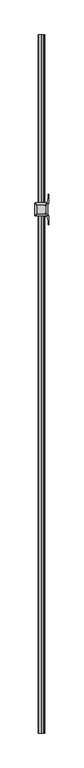
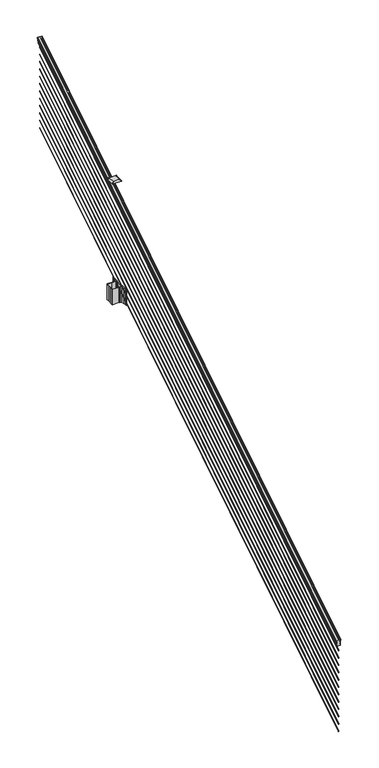
"""IFC4 building model written with IfcOpenShell, lengths in millimetres: railing geometry."""

from ifc_helpers import new_model, si_unit, point, frame, frame_2d, origin, place, context, project, spatial, polyline, circle_curve, ellipse_curve, trimmed, segment, composite_curve, outline, extrude, source, transform, mapped, element, save
from ifc_brep_helpers import plane_surface, cylinder_surface, revolved_surface, extruded_surface, advanced_brep


def railing_f0b1b2a2(model_context):
    return source(origin(), model_context, "Body", "SolidModel", [
        advanced_brep(
        [(5923.032944, -103155.6628453, 1133.2070492), (5925.6067728, -103155.6628453, 1133.2070492), (5925.6067728, -103155.6628453, 1120.6394336), (5924.5907728, -103155.6628453, 1119.441318), (5924.5907728, -103155.6628453, 1104.9), (5956.3407728, -103155.6628453, 1104.9), (5956.3407728, -103155.6628453, 1119.6274214), (5955.3247728, -103155.6628453, 1120.825537), (5955.3247728, -103155.6628453, 1133.2070492), (5957.8986015, -103155.6628453, 1133.2070492), (5957.8986015, -103155.6628453, 1135.4335658), (5959.0287878, -103155.6628453, 1137.2758543), (5959.0287878, -103155.6628453, 1145.7876358), (5958.3795314, -103155.6628453, 1148.6572588), (5960.8795314, -103155.6628453, 1153.7635509), (5962.2888739, -103155.6628453, 1155.7442021), (5962.6907729, -103155.6628453, 1157.0469579), (5962.6907728, -103155.6628453, 1158.6274846), (5961.1373255, -103155.6628453, 1160.4593836), (5940.4657728, -103155.6628453, 1160.4593836), (5919.79422, -103155.6628453, 1160.4593836), (5918.2407728, -103155.6628453, 1158.6274846), (5918.2407728, -103155.6628453, 1157.0469579), (5918.6426717, -103155.6628453, 1155.7442021), (5920.0520141, -103155.6628453, 1153.7635509), (5922.5520141, -103155.6628453, 1148.6572588), (5921.9027577, -103155.6628453, 1145.7876358), (5921.9027577, -103155.6628453, 1137.2758543), (5923.032944, -103155.6628453, 1135.4335658), (5923.032944, -98278.8628453, 4181.2070492), (5923.032944, -98278.8628453, 4183.4335658), (5921.9027577, -98278.8628453, 4185.2758543), (5921.9027577, -98278.8628453, 4193.7876358), (5922.5520141, -98278.8628453, 4196.6572588), (5920.0520141, -98278.8628453, 4201.7635509), (5918.6426717, -98278.8628453, 4203.7442021), (5918.2407727, -98278.8628453, 4205.0469579), (5918.2407728, -98278.8628453, 4206.6274846), (5919.79422, -98278.8628453, 4208.4593836), (5940.4657728, -98278.8628453, 4208.4593836), (5961.1373255, -98278.8628453, 4208.4593836), (5962.6907728, -98278.8628453, 4206.6274846), (5962.6907728, -98278.8628453, 4205.0469579), (5962.2888739, -98278.8628453, 4203.7442021), (5960.8795314, -98278.8628453, 4201.7635509), (5958.3795314, -98278.8628453, 4196.6572588), (5959.0287878, -98278.8628453, 4193.7876358), (5959.0287878, -98278.8628453, 4185.2758543), (5957.8986015, -98278.8628453, 4183.4335658), (5957.8986015, -98278.8628453, 4181.2070492), (5955.3247728, -98278.8628453, 4181.2070492), (5955.3247728, -98278.8628453, 4168.825537), (5956.3407728, -98278.8628453, 4167.6274214), (5956.3407728, -98278.8628453, 4152.9), (5924.5907728, -98278.8628453, 4152.9), (5924.5907728, -98278.8628453, 4167.441318), (5925.6067728, -98278.8628453, 4168.6394336), (5925.6067728, -98278.8628453, 4181.2070492)],
        [
            (0, 1, ellipse_curve(frame((5924.3198584, -103155.6628453, 1133.2070492), z_axis=(0.0, -1.0, 0.0), x_axis=(0.0, 0.0, -1.0)), 1.5175907, 1.2869144)),
            (1, 2),
            (2, 3),
            (3, 4),
            (4, 5),
            (5, 6),
            (6, 7),
            (7, 8),
            (8, 9, ellipse_curve(frame((5956.6116871, -103155.6628453, 1133.2070492), z_axis=(0.0, -1.0, 0.0), x_axis=(0.0, 0.0, -1.0)), 1.5175907, 1.2869144)),
            (9, 10),
            (10, 11, ellipse_curve(frame((5951.5838482, -103155.6628453, 1142.2239405), z_axis=(0.0, -1.0, 0.0), x_axis=(0.0, 0.0, -1.0)), 10.0777926, 8.545951)),
            (11, 12, ellipse_curve(frame((5952.0209112, -103155.6628453, 1141.5317451), z_axis=(0.0, -1.0, 0.0), x_axis=(0.0, 0.0, -1.0)), 9.2955186, 7.882584)),
            (12, 13, ellipse_curve(frame((5962.5342353, -103155.6628453, 1148.4275077), z_axis=(0.0, 1.0, 0.0), x_axis=(0.0, 0.0, 1.0)), 4.9048088, 4.1592695)),
            (13, 14, ellipse_curve(frame((5963.8215419, -103155.6628453, 1148.3563208), z_axis=(0.0, 1.0, 0.0), x_axis=(0.0, 0.0, 1.0)), 6.4245301, 5.4479907)),
            (14, 15, ellipse_curve(frame((5962.5883834, -103155.6628453, 1153.7602333), z_axis=(0.0, 1.0, 0.0), x_axis=(0.0, 0.0, 1.0)), 2.0151625, 1.7088543)),
            (15, 16, ellipse_curve(frame((5960.9714833, -103155.6628453, 1157.0469579), z_axis=(0.0, -1.0, 0.0), x_axis=(0.0, 0.0, -1.0)), 2.0274681, 1.7192895)),
            (16, 17),
            (17, 18, ellipse_curve(frame((5961.1373255, -103155.6628453, 1158.6274846), z_axis=(0.0, -1.0, 0.0), x_axis=(0.0, 0.0, -1.0)), 1.831899, 1.5534472)),
            (18, 19),
            (19, 20),
            (20, 21, ellipse_curve(frame((5919.79422, -103155.6628453, 1158.6274846), z_axis=(0.0, -1.0, 0.0), x_axis=(0.0, 0.0, -1.0)), 1.831899, 1.5534472)),
            (21, 22),
            (22, 23, ellipse_curve(frame((5919.9600622, -103155.6628453, 1157.0469579), z_axis=(0.0, -1.0, 0.0), x_axis=(0.0, 0.0, -1.0)), 2.0274681, 1.7192895)),
            (23, 24, ellipse_curve(frame((5918.3431621, -103155.6628453, 1153.7602333), z_axis=(0.0, 1.0, 0.0), x_axis=(0.0, 0.0, 1.0)), 2.0151625, 1.7088543)),
            (24, 25, ellipse_curve(frame((5917.1100037, -103155.6628453, 1148.3563208), z_axis=(0.0, 1.0, 0.0), x_axis=(0.0, 0.0, 1.0)), 6.4245301, 5.4479907)),
            (25, 26, ellipse_curve(frame((5918.3973102, -103155.6628453, 1148.4275077), z_axis=(0.0, 1.0, 0.0), x_axis=(0.0, 0.0, 1.0)), 4.9048088, 4.1592695)),
            (26, 27, ellipse_curve(frame((5928.9106343, -103155.6628453, 1141.5317451), z_axis=(0.0, -1.0, 0.0), x_axis=(0.0, 0.0, -1.0)), 9.2955186, 7.882584)),
            (27, 28, ellipse_curve(frame((5929.3476973, -103155.6628453, 1142.2239405), z_axis=(0.0, -1.0, 0.0), x_axis=(0.0, 0.0, -1.0)), 10.0777926, 8.545951)),
            (28, 0),
            (29, 30),
            (30, 31, ellipse_curve(frame((5929.3476973, -98278.8628453, 4190.2239405), z_axis=(0.0, 1.0, 0.0), x_axis=(0.0, 0.0, -1.0)), 10.0777926, 8.545951)),
            (31, 32, ellipse_curve(frame((5928.9106343, -98278.8628453, 4189.5317451), z_axis=(0.0, 1.0, 0.0), x_axis=(0.0, 0.0, -1.0)), 9.2955186, 7.882584)),
            (32, 33, ellipse_curve(frame((5918.3973102, -98278.8628453, 4196.4275077), z_axis=(0.0, -1.0, 0.0), x_axis=(0.0, 0.0, 1.0)), 4.9048088, 4.1592695)),
            (33, 34, ellipse_curve(frame((5917.1100037, -98278.8628453, 4196.3563208), z_axis=(0.0, -1.0, 0.0), x_axis=(0.0, 0.0, 1.0)), 6.4245301, 5.4479907)),
            (34, 35, ellipse_curve(frame((5918.3431621, -98278.8628453, 4201.7602333), z_axis=(0.0, -1.0, 0.0), x_axis=(0.0, 0.0, 1.0)), 2.0151625, 1.7088543)),
            (35, 36, ellipse_curve(frame((5919.9600622, -98278.8628453, 4205.0469579), z_axis=(0.0, 1.0, 0.0), x_axis=(0.0, 0.0, -1.0)), 2.0274681, 1.7192895)),
            (36, 37),
            (37, 38, ellipse_curve(frame((5919.79422, -98278.8628453, 4206.6274846), z_axis=(0.0, 1.0, 0.0), x_axis=(0.0, 0.0, -1.0)), 1.831899, 1.5534472)),
            (38, 39),
            (39, 40),
            (40, 41, ellipse_curve(frame((5961.1373255, -98278.8628453, 4206.6274846), z_axis=(0.0, 1.0, 0.0), x_axis=(0.0, 0.0, -1.0)), 1.831899, 1.5534472)),
            (41, 42),
            (42, 43, ellipse_curve(frame((5960.9714833, -98278.8628453, 4205.0469579), z_axis=(0.0, 1.0, 0.0), x_axis=(0.0, 0.0, -1.0)), 2.0274681, 1.7192895)),
            (43, 44, ellipse_curve(frame((5962.5883834, -98278.8628453, 4201.7602333), z_axis=(0.0, -1.0, 0.0), x_axis=(0.0, 0.0, 1.0)), 2.0151625, 1.7088543)),
            (44, 45, ellipse_curve(frame((5963.8215419, -98278.8628453, 4196.3563208), z_axis=(0.0, -1.0, 0.0), x_axis=(0.0, 0.0, 1.0)), 6.4245301, 5.4479907)),
            (45, 46, ellipse_curve(frame((5962.5342353, -98278.8628453, 4196.4275077), z_axis=(0.0, -1.0, 0.0), x_axis=(0.0, 0.0, 1.0)), 4.9048088, 4.1592695)),
            (46, 47, ellipse_curve(frame((5952.0209112, -98278.8628453, 4189.5317451), z_axis=(0.0, 1.0, 0.0), x_axis=(0.0, 0.0, -1.0)), 9.2955186, 7.882584)),
            (47, 48, ellipse_curve(frame((5951.5838482, -98278.8628453, 4190.2239405), z_axis=(0.0, 1.0, 0.0), x_axis=(0.0, 0.0, -1.0)), 10.0777926, 8.545951)),
            (48, 49),
            (49, 50, ellipse_curve(frame((5956.6116871, -98278.8628453, 4181.2070492), z_axis=(0.0, 1.0, 0.0), x_axis=(0.0, 0.0, -1.0)), 1.5175907, 1.2869144)),
            (50, 51),
            (51, 52),
            (52, 53),
            (53, 54),
            (54, 55),
            (55, 56),
            (56, 57),
            (57, 29, ellipse_curve(frame((5924.3198584, -98278.8628453, 4181.2070492), z_axis=(0.0, 1.0, 0.0), x_axis=(0.0, 0.0, -1.0)), 1.5175907, 1.2869144)),
            (28, 30),
            (29, 0),
            (27, 31),
            (26, 32),
            (25, 33),
            (24, 34),
            (23, 35),
            (22, 36),
            (21, 37),
            (20, 38),
            (19, 39),
            (18, 40),
            (17, 41),
            (16, 42),
            (15, 43),
            (14, 44),
            (13, 45),
            (12, 46),
            (11, 47),
            (10, 48),
            (9, 49),
            (8, 50),
            (7, 51),
            (6, 52),
            (5, 53),
            (4, 54),
            (3, 55),
            (2, 56),
            (1, 57),
        ],
        [
            plane_surface(frame((5940.4657728, -103155.6628453, 1104.9), z_axis=(0.0, -1.0, 0.0), x_axis=(0.0, 0.0, 1.0))),
            plane_surface(frame((5940.4657728, -98278.8628453, 4152.9), z_axis=(0.0, 1.0, 0.0), x_axis=(0.0, 0.0, 1.0))),
            plane_surface(frame((5923.032944, -103155.6628453, 1135.4335658), z_axis=(-1.0, 0.0, 0.0), x_axis=(0.0, 0.8479983040051252, 0.5299989400031204))),
            cylinder_surface(frame((5929.3476973, -103172.43765, 1131.7396876), z_axis=(0.0, -0.8479983040051253, -0.5299989400031204), x_axis=(1.0, 0.0, 0.0)), 8.545951),
            cylinder_surface(frame((5928.9106343, -103172.1265509, 1131.241929), z_axis=(0.0, -0.8479983040051253, -0.5299989400031204), x_axis=(1.0, 0.0, 0.0)), 7.882584),
            revolved_surface(polyline([(5922.5565797, -98276.65843685035, 4197.805262980558), (5922.5565797, -103157.86725374944, 1147.0497524191019)]), (5918.3973102, -103175.2257701, 1136.2006797), (0.0, 0.8479983040051253, 0.5299989400031204)),
            revolved_surface(polyline([(5922.5579944, -98275.97541603574, 4198.160964077185), (5922.5579944, -103158.5502745528, 1146.551677504493)]), (5917.1100037, -103175.193776, 1136.1494891), (0.0, 0.8479983040051253, 0.5299989400031204)),
            revolved_surface(polyline([(5920.0520164, -98277.95715429979, 4202.326290199658), (5920.0520164, -103156.56853632248, 1153.1941764359544)]), (5918.3431621, -103177.6225007, 1140.0354487), (0.0, 0.8479983040051253, 0.5299989400031204)),
            cylinder_surface(frame((5919.9600622, -103179.0996803, 1142.398936), z_axis=(0.0, -0.8479983040051253, -0.5299989400031204), x_axis=(1.0, 0.0, 0.0)), 1.7192895),
            plane_surface(frame((5918.2407728, -103155.6628453, 1158.6274846), z_axis=(-1.0, 0.0, 0.0), x_axis=(0.0, 0.8479983040051252, 0.5299989400031204))),
            cylinder_surface(frame((5919.79422, -103179.8100294, 1143.5354945), z_axis=(0.0, -0.8479983040051253, -0.5299989400031204), x_axis=(1.0, 0.0, 0.0)), 1.5534472),
            plane_surface(frame((5940.4657728, -103155.6628453, 1160.4593836), z_axis=(0.0, -0.5299989400031204, 0.8479983040051252), x_axis=(0.0, 0.8479983040051252, 0.5299989400031204))),
            plane_surface(frame((5961.1373255, -103155.6628453, 1160.4593836), z_axis=(0.0, -0.5299989400031204, 0.8479983040051252), x_axis=(0.0, 0.8479983040051252, 0.5299989400031204))),
            cylinder_surface(frame((5961.1373255, -103179.8100294, 1143.5354945), z_axis=(0.0, -0.8479983040051253, -0.5299989400031204), x_axis=(-1.0, 0.0, 0.0)), 1.5534472),
            plane_surface(frame((5962.6907728, -103155.6628453, 1157.0469579), z_axis=(1.0, 0.0, 0.0), x_axis=(0.0, 0.8479983040051252, 0.5299989400031204))),
            cylinder_surface(frame((5960.9714833, -103179.0996803, 1142.398936), z_axis=(0.0, -0.8479983040051253, -0.5299989400031204), x_axis=(-1.0, 0.0, 0.0)), 1.7192895),
            revolved_surface(polyline([(5960.8795291, -98277.95715429979, 4202.326290199658), (5960.8795291, -103156.56853632248, 1153.1941764359544)]), (5962.5883834, -103177.6225007, 1140.0354487), (0.0, 0.8479983040051253, 0.5299989400031204)),
            revolved_surface(polyline([(5958.373551199999, -98275.97541603574, 4198.160964077185), (5958.373551199999, -103158.5502745528, 1146.551677504493)]), (5963.8215419, -103175.193776, 1136.1494891), (0.0, 0.8479983040051253, 0.5299989400031204)),
            revolved_surface(polyline([(5958.3749658, -98276.65843685035, 4197.805262980558), (5958.3749658, -103157.86725374944, 1147.0497524191019)]), (5962.5342353, -103175.2257701, 1136.2006797), (0.0, 0.8479983040051253, 0.5299989400031204)),
            cylinder_surface(frame((5952.0209112, -103172.1265509, 1131.241929), z_axis=(0.0, -0.8479983040051253, -0.5299989400031204), x_axis=(-1.0, 0.0, 0.0)), 7.882584),
            cylinder_surface(frame((5951.5838482, -103172.43765, 1131.7396876), z_axis=(0.0, -0.8479983040051253, -0.5299989400031204), x_axis=(-1.0, 0.0, 0.0)), 8.545951),
            plane_surface(frame((5957.8986015, -103155.6628453, 1133.2070492), z_axis=(1.0, 0.0, 0.0), x_axis=(0.0, 0.8479983040051252, 0.5299989400031204))),
            cylinder_surface(frame((5956.6116871, -103168.3851146, 1125.2556309), z_axis=(0.0, -0.8479983040051253, -0.5299989400031204), x_axis=(-1.0, 0.0, 0.0)), 1.2869144),
            plane_surface(frame((5955.3247728, -103155.6628453, 1120.825537), z_axis=(1.0, 0.0, 0.0), x_axis=(0.0, 0.8479983040051252, 0.5299989400031204))),
            plane_surface(frame((5956.3407728, -103155.6628453, 1119.6274214), z_axis=(0.7071067811865425, -0.37476584449789213, 0.5996253511967194), x_axis=(0.0, 0.8479983040051252, 0.5299989400031204))),
            plane_surface(frame((5956.3407728, -103155.6628453, 1104.9), z_axis=(1.0, 0.0, 0.0), x_axis=(0.0, 0.8479983040051252, 0.5299989400031204))),
            plane_surface(frame((5924.5907728, -103155.6628453, 1104.9), z_axis=(0.0, 0.5299989400031204, -0.8479983040051252), x_axis=(0.0, 0.8479983040051252, 0.5299989400031204))),
            plane_surface(frame((5924.5907728, -103155.6628453, 1119.441318), z_axis=(-1.0000000000000002, 0.0, 0.0), x_axis=(0.0, 0.8479983040051253, 0.5299989400031204))),
            plane_surface(frame((5925.6067728, -103155.6628453, 1120.6394336), z_axis=(-0.7071067811865401, -0.3747658444978918, 0.5996253511967223), x_axis=(0.0, 0.8479983040051253, 0.5299989400031204))),
            plane_surface(frame((5925.6067728, -103155.6628453, 1133.2070492), z_axis=(-1.0, 0.0, 0.0), x_axis=(0.0, 0.8479983040051252, 0.5299989400031204))),
            cylinder_surface(frame((5924.3198584, -103168.3851146, 1125.2556309), z_axis=(0.0, -0.8479983040051253, -0.5299989400031204), x_axis=(1.0, 0.0, 0.0)), 1.2869144),
        ],
        [
            (0, [[1, 2, 3, 4, 5, 6, 7, 8, 9, 10, 11, 12, 13, 14, 15, 16, 17, 18, 19, 20, 21, 22, 23, 24, 25, 26, 27, 28, 29]]),
            (1, [[30, 31, 32, 33, 34, 35, 36, 37, 38, 39, 40, 41, 42, 43, 44, 45, 46, 47, 48, 49, 50, 51, 52, 53, 54, 55, 56, 57, 58]]),
            (2, [[-29, 59, -30, 60]]),
            (3, [[-28, 61, -31, -59]]),
            (4, [[-27, 62, -32, -61]]),
            (5, [[-26, 63, -33, -62]]),
            (6, [[-25, 64, -34, -63]]),
            (7, [[-24, 65, -35, -64]]),
            (8, [[-23, 66, -36, -65]]),
            (9, [[-22, 67, -37, -66]]),
            (10, [[-21, 68, -38, -67]]),
            (11, [[-20, 69, -39, -68]]),
            (12, [[-19, 70, -40, -69]]),
            (13, [[-18, 71, -41, -70]]),
            (14, [[-17, 72, -42, -71]]),
            (15, [[-16, 73, -43, -72]]),
            (16, [[-15, 74, -44, -73]]),
            (17, [[-14, 75, -45, -74]]),
            (18, [[-13, 76, -46, -75]]),
            (19, [[-12, 77, -47, -76]]),
            (20, [[-11, 78, -48, -77]]),
            (21, [[-10, 79, -49, -78]]),
            (22, [[-9, 80, -50, -79]]),
            (23, [[-8, 81, -51, -80]]),
            (24, [[-7, 82, -52, -81]]),
            (25, [[-6, 83, -53, -82]]),
            (26, [[-5, 84, -54, -83]]),
            (27, [[-4, 85, -55, -84]]),
            (28, [[-3, 86, -56, -85]]),
            (29, [[-2, 87, -57, -86]]),
            (30, [[-1, -60, -58, -87]]),
        ],
    ),
        advanced_brep(
        [(5942.0532728, -103155.6628453, 255.524), (5940.4657728, -103155.6628453, 257.3960556), (5938.8782728, -103155.6628453, 255.524), (5940.4657728, -103155.6628453, 253.6519444), (5942.0532728, -98278.8628453, 3303.524), (5940.4657728, -98278.8628453, 3301.6519444), (5938.8782728, -98278.8628453, 3303.524), (5940.4657728, -98278.8628453, 3305.3960556)],
        [
            (0, 1, ellipse_curve(frame((5940.4657728, -103155.6628453, 255.524), z_axis=(0.0, -1.0, 0.0), x_axis=(0.0, 0.0, -1.0)), 1.8720556, 1.5875)),
            (1, 2, ellipse_curve(frame((5940.4657728, -103155.6628453, 255.524), z_axis=(0.0, -1.0, 0.0), x_axis=(0.0, 0.0, -1.0)), 1.8720556, 1.5875)),
            (2, 3, ellipse_curve(frame((5940.4657728, -103155.6628453, 255.524), z_axis=(0.0, -1.0, 0.0), x_axis=(0.0, 0.0, -1.0)), 1.8720556, 1.5875)),
            (3, 0, ellipse_curve(frame((5940.4657728, -103155.6628453, 255.524), z_axis=(0.0, -1.0, 0.0), x_axis=(0.0, 0.0, -1.0)), 1.8720556, 1.5875)),
            (4, 5, ellipse_curve(frame((5940.4657728, -98278.8628453, 3303.524), z_axis=(0.0, 1.0, 0.0), x_axis=(0.0, 0.0, -1.0)), 1.8720556, 1.5875)),
            (5, 6, ellipse_curve(frame((5940.4657728, -98278.8628453, 3303.524), z_axis=(0.0, 1.0, 0.0), x_axis=(0.0, 0.0, -1.0)), 1.8720556, 1.5875)),
            (6, 7, ellipse_curve(frame((5940.4657728, -98278.8628453, 3303.524), z_axis=(0.0, 1.0, 0.0), x_axis=(0.0, 0.0, -1.0)), 1.8720556, 1.5875)),
            (7, 4, ellipse_curve(frame((5940.4657728, -98278.8628453, 3303.524), z_axis=(0.0, 1.0, 0.0), x_axis=(0.0, 0.0, -1.0)), 1.8720556, 1.5875)),
            (3, 5),
            (4, 0),
            (2, 6),
            (1, 7),
        ],
        [
            plane_surface(frame((5940.4657728, -103155.6628453, 255.524), z_axis=(0.0, -1.0, 0.0), x_axis=(0.0, 0.0, 1.0))),
            plane_surface(frame((5940.4657728, -98278.8628453, 3303.524), z_axis=(0.0, 1.0, 0.0), x_axis=(0.0, 0.0, 1.0))),
            cylinder_surface(frame((5940.4657728, -103155.6628453, 255.524), z_axis=(0.0, -0.8479983040051253, -0.5299989400031204), x_axis=(1.0, 0.0, 0.0)), 1.5875),
        ],
        [
            (0, [[1, 2, 3, 4]]),
            (1, [[5, 6, 7, 8]]),
            (2, [[-4, 9, -5, 10]]),
            (2, [[-3, 11, -6, -9]]),
            (2, [[-2, 12, -7, -11]]),
            (2, [[-1, -10, -8, -12]]),
        ],
    ),
        advanced_brep(
        [(5942.0532728, -103155.6628453, 328.676), (5940.4657728, -103155.6628453, 330.5480556), (5938.8782728, -103155.6628453, 328.676), (5940.4657728, -103155.6628453, 326.8039444), (5942.0532728, -98278.8628453, 3376.676), (5940.4657728, -98278.8628453, 3374.8039444), (5938.8782728, -98278.8628453, 3376.676), (5940.4657728, -98278.8628453, 3378.5480556)],
        [
            (0, 1, ellipse_curve(frame((5940.4657728, -103155.6628453, 328.676), z_axis=(0.0, -1.0, 0.0), x_axis=(0.0, 0.0, -1.0)), 1.8720556, 1.5875)),
            (1, 2, ellipse_curve(frame((5940.4657728, -103155.6628453, 328.676), z_axis=(0.0, -1.0, 0.0), x_axis=(0.0, 0.0, -1.0)), 1.8720556, 1.5875)),
            (2, 3, ellipse_curve(frame((5940.4657728, -103155.6628453, 328.676), z_axis=(0.0, -1.0, 0.0), x_axis=(0.0, 0.0, -1.0)), 1.8720556, 1.5875)),
            (3, 0, ellipse_curve(frame((5940.4657728, -103155.6628453, 328.676), z_axis=(0.0, -1.0, 0.0), x_axis=(0.0, 0.0, -1.0)), 1.8720556, 1.5875)),
            (4, 5, ellipse_curve(frame((5940.4657728, -98278.8628453, 3376.676), z_axis=(0.0, 1.0, 0.0), x_axis=(0.0, 0.0, -1.0)), 1.8720556, 1.5875)),
            (5, 6, ellipse_curve(frame((5940.4657728, -98278.8628453, 3376.676), z_axis=(0.0, 1.0, 0.0), x_axis=(0.0, 0.0, -1.0)), 1.8720556, 1.5875)),
            (6, 7, ellipse_curve(frame((5940.4657728, -98278.8628453, 3376.676), z_axis=(0.0, 1.0, 0.0), x_axis=(0.0, 0.0, -1.0)), 1.8720556, 1.5875)),
            (7, 4, ellipse_curve(frame((5940.4657728, -98278.8628453, 3376.676), z_axis=(0.0, 1.0, 0.0), x_axis=(0.0, 0.0, -1.0)), 1.8720556, 1.5875)),
            (0, 4),
            (7, 1),
            (6, 2),
            (5, 3),
        ],
        [
            plane_surface(frame((5940.4657728, -103155.6628453, 328.676), z_axis=(0.0, -1.0, 0.0), x_axis=(0.0, 0.0, 1.0))),
            plane_surface(frame((5940.4657728, -98278.8628453, 3376.676), z_axis=(0.0, 1.0, 0.0), x_axis=(0.0, 0.0, 1.0))),
            cylinder_surface(frame((5940.4657728, -103155.6628453, 328.676), z_axis=(0.0, -0.8479983040051253, -0.5299989400031204), x_axis=(1.0, 0.0, 0.0)), 1.5875),
        ],
        [
            (0, [[1, 2, 3, 4]]),
            (1, [[5, 6, 7, 8]]),
            (2, [[-1, 9, -8, 10]]),
            (2, [[-2, -10, -7, 11]]),
            (2, [[-3, -11, -6, 12]]),
            (2, [[-4, -12, -5, -9]]),
        ],
    ),
        advanced_brep(
        [(5942.0532728, -103155.6628453, 401.574), (5940.4657728, -103155.6628453, 403.4460556), (5938.8782728, -103155.6628453, 401.574), (5940.4657728, -103155.6628453, 399.7019444), (5942.0532728, -98278.8628453, 3449.574), (5940.4657728, -98278.8628453, 3447.7019444), (5938.8782728, -98278.8628453, 3449.574), (5940.4657728, -98278.8628453, 3451.4460556)],
        [
            (0, 1, ellipse_curve(frame((5940.4657728, -103155.6628453, 401.574), z_axis=(0.0, -1.0, 0.0), x_axis=(0.0, 0.0, -1.0)), 1.8720556, 1.5875)),
            (1, 2, ellipse_curve(frame((5940.4657728, -103155.6628453, 401.574), z_axis=(0.0, -1.0, 0.0), x_axis=(0.0, 0.0, -1.0)), 1.8720556, 1.5875)),
            (2, 3, ellipse_curve(frame((5940.4657728, -103155.6628453, 401.574), z_axis=(0.0, -1.0, 0.0), x_axis=(0.0, 0.0, -1.0)), 1.8720556, 1.5875)),
            (3, 0, ellipse_curve(frame((5940.4657728, -103155.6628453, 401.574), z_axis=(0.0, -1.0, 0.0), x_axis=(0.0, 0.0, -1.0)), 1.8720556, 1.5875)),
            (4, 5, ellipse_curve(frame((5940.4657728, -98278.8628453, 3449.574), z_axis=(0.0, 1.0, 0.0), x_axis=(0.0, 0.0, -1.0)), 1.8720556, 1.5875)),
            (5, 6, ellipse_curve(frame((5940.4657728, -98278.8628453, 3449.574), z_axis=(0.0, 1.0, 0.0), x_axis=(0.0, 0.0, -1.0)), 1.8720556, 1.5875)),
            (6, 7, ellipse_curve(frame((5940.4657728, -98278.8628453, 3449.574), z_axis=(0.0, 1.0, 0.0), x_axis=(0.0, 0.0, -1.0)), 1.8720556, 1.5875)),
            (7, 4, ellipse_curve(frame((5940.4657728, -98278.8628453, 3449.574), z_axis=(0.0, 1.0, 0.0), x_axis=(0.0, 0.0, -1.0)), 1.8720556, 1.5875)),
            (0, 4),
            (7, 1),
            (6, 2),
            (5, 3),
        ],
        [
            plane_surface(frame((5940.4657728, -103155.6628453, 401.574), z_axis=(0.0, -1.0, 0.0), x_axis=(0.0, 0.0, 1.0))),
            plane_surface(frame((5940.4657728, -98278.8628453, 3449.574), z_axis=(0.0, 1.0, 0.0), x_axis=(0.0, 0.0, 1.0))),
            cylinder_surface(frame((5940.4657728, -103155.6628453, 401.574), z_axis=(0.0, -0.8479983040051253, -0.5299989400031204), x_axis=(1.0, 0.0, 0.0)), 1.5875),
        ],
        [
            (0, [[1, 2, 3, 4]]),
            (1, [[5, 6, 7, 8]]),
            (2, [[-1, 9, -8, 10]]),
            (2, [[-2, -10, -7, 11]]),
            (2, [[-3, -11, -6, 12]]),
            (2, [[-4, -12, -5, -9]]),
        ],
    ),
        advanced_brep(
        [(5942.0532728, -103155.6628453, 474.726), (5940.4657728, -103155.6628453, 476.5980556), (5938.8782728, -103155.6628453, 474.726), (5940.4657728, -103155.6628453, 472.8539444), (5942.0532728, -98278.8628453, 3522.726), (5940.4657728, -98278.8628453, 3520.8539444), (5938.8782728, -98278.8628453, 3522.726), (5940.4657728, -98278.8628453, 3524.5980556)],
        [
            (0, 1, ellipse_curve(frame((5940.4657728, -103155.6628453, 474.726), z_axis=(0.0, -1.0, 0.0), x_axis=(0.0, 0.0, -1.0)), 1.8720556, 1.5875)),
            (1, 2, ellipse_curve(frame((5940.4657728, -103155.6628453, 474.726), z_axis=(0.0, -1.0, 0.0), x_axis=(0.0, 0.0, -1.0)), 1.8720556, 1.5875)),
            (2, 3, ellipse_curve(frame((5940.4657728, -103155.6628453, 474.726), z_axis=(0.0, -1.0, 0.0), x_axis=(0.0, 0.0, -1.0)), 1.8720556, 1.5875)),
            (3, 0, ellipse_curve(frame((5940.4657728, -103155.6628453, 474.726), z_axis=(0.0, -1.0, 0.0), x_axis=(0.0, 0.0, -1.0)), 1.8720556, 1.5875)),
            (4, 5, ellipse_curve(frame((5940.4657728, -98278.8628453, 3522.726), z_axis=(0.0, 1.0, 0.0), x_axis=(0.0, 0.0, -1.0)), 1.8720556, 1.5875)),
            (5, 6, ellipse_curve(frame((5940.4657728, -98278.8628453, 3522.726), z_axis=(0.0, 1.0, 0.0), x_axis=(0.0, 0.0, -1.0)), 1.8720556, 1.5875)),
            (6, 7, ellipse_curve(frame((5940.4657728, -98278.8628453, 3522.726), z_axis=(0.0, 1.0, 0.0), x_axis=(0.0, 0.0, -1.0)), 1.8720556, 1.5875)),
            (7, 4, ellipse_curve(frame((5940.4657728, -98278.8628453, 3522.726), z_axis=(0.0, 1.0, 0.0), x_axis=(0.0, 0.0, -1.0)), 1.8720556, 1.5875)),
            (0, 4),
            (7, 1),
            (6, 2),
            (5, 3),
        ],
        [
            plane_surface(frame((5940.4657728, -103155.6628453, 474.726), z_axis=(0.0, -1.0, 0.0), x_axis=(0.0, 0.0, 1.0))),
            plane_surface(frame((5940.4657728, -98278.8628453, 3522.726), z_axis=(0.0, 1.0, 0.0), x_axis=(0.0, 0.0, 1.0))),
            cylinder_surface(frame((5940.4657728, -103155.6628453, 474.726), z_axis=(0.0, -0.8479983040051253, -0.5299989400031204), x_axis=(1.0, 0.0, 0.0)), 1.5875),
        ],
        [
            (0, [[1, 2, 3, 4]]),
            (1, [[5, 6, 7, 8]]),
            (2, [[-1, 9, -8, 10]]),
            (2, [[-2, -10, -7, 11]]),
            (2, [[-3, -11, -6, 12]]),
            (2, [[-4, -12, -5, -9]]),
        ],
    ),
        advanced_brep(
        [(5942.0532728, -103155.6628453, 547.624), (5940.4657728, -103155.6628453, 549.4960556), (5938.8782728, -103155.6628453, 547.624), (5940.4657728, -103155.6628453, 545.7519444), (5942.0532728, -98278.8628453, 3595.624), (5940.4657728, -98278.8628453, 3593.7519444), (5938.8782728, -98278.8628453, 3595.624), (5940.4657728, -98278.8628453, 3597.4960556)],
        [
            (0, 1, ellipse_curve(frame((5940.4657728, -103155.6628453, 547.624), z_axis=(0.0, -1.0, 0.0), x_axis=(0.0, 0.0, -1.0)), 1.8720556, 1.5875)),
            (1, 2, ellipse_curve(frame((5940.4657728, -103155.6628453, 547.624), z_axis=(0.0, -1.0, 0.0), x_axis=(0.0, 0.0, -1.0)), 1.8720556, 1.5875)),
            (2, 3, ellipse_curve(frame((5940.4657728, -103155.6628453, 547.624), z_axis=(0.0, -1.0, 0.0), x_axis=(0.0, 0.0, -1.0)), 1.8720556, 1.5875)),
            (3, 0, ellipse_curve(frame((5940.4657728, -103155.6628453, 547.624), z_axis=(0.0, -1.0, 0.0), x_axis=(0.0, 0.0, -1.0)), 1.8720556, 1.5875)),
            (4, 5, ellipse_curve(frame((5940.4657728, -98278.8628453, 3595.624), z_axis=(0.0, 1.0, 0.0), x_axis=(0.0, 0.0, -1.0)), 1.8720556, 1.5875)),
            (5, 6, ellipse_curve(frame((5940.4657728, -98278.8628453, 3595.624), z_axis=(0.0, 1.0, 0.0), x_axis=(0.0, 0.0, -1.0)), 1.8720556, 1.5875)),
            (6, 7, ellipse_curve(frame((5940.4657728, -98278.8628453, 3595.624), z_axis=(0.0, 1.0, 0.0), x_axis=(0.0, 0.0, -1.0)), 1.8720556, 1.5875)),
            (7, 4, ellipse_curve(frame((5940.4657728, -98278.8628453, 3595.624), z_axis=(0.0, 1.0, 0.0), x_axis=(0.0, 0.0, -1.0)), 1.8720556, 1.5875)),
            (0, 4),
            (7, 1),
            (6, 2),
            (5, 3),
        ],
        [
            plane_surface(frame((5940.4657728, -103155.6628453, 547.624), z_axis=(0.0, -1.0, 0.0), x_axis=(0.0, 0.0, 1.0))),
            plane_surface(frame((5940.4657728, -98278.8628453, 3595.624), z_axis=(0.0, 1.0, 0.0), x_axis=(0.0, 0.0, 1.0))),
            cylinder_surface(frame((5940.4657728, -103155.6628453, 547.624), z_axis=(0.0, -0.8479983040051253, -0.5299989400031204), x_axis=(1.0, 0.0, 0.0)), 1.5875),
        ],
        [
            (0, [[1, 2, 3, 4]]),
            (1, [[5, 6, 7, 8]]),
            (2, [[-1, 9, -8, 10]]),
            (2, [[-2, -10, -7, 11]]),
            (2, [[-3, -11, -6, 12]]),
            (2, [[-4, -12, -5, -9]]),
        ],
    ),
        advanced_brep(
        [(5942.0532728, -103155.6628453, 620.776), (5940.4657728, -103155.6628453, 622.6480556), (5938.8782728, -103155.6628453, 620.776), (5940.4657728, -103155.6628453, 618.9039444), (5942.0532728, -98278.8628453, 3668.776), (5940.4657728, -98278.8628453, 3666.9039444), (5938.8782728, -98278.8628453, 3668.776), (5940.4657728, -98278.8628453, 3670.6480556)],
        [
            (0, 1, ellipse_curve(frame((5940.4657728, -103155.6628453, 620.776), z_axis=(0.0, -1.0, 0.0), x_axis=(0.0, 0.0, -1.0)), 1.8720556, 1.5875)),
            (1, 2, ellipse_curve(frame((5940.4657728, -103155.6628453, 620.776), z_axis=(0.0, -1.0, 0.0), x_axis=(0.0, 0.0, -1.0)), 1.8720556, 1.5875)),
            (2, 3, ellipse_curve(frame((5940.4657728, -103155.6628453, 620.776), z_axis=(0.0, -1.0, 0.0), x_axis=(0.0, 0.0, -1.0)), 1.8720556, 1.5875)),
            (3, 0, ellipse_curve(frame((5940.4657728, -103155.6628453, 620.776), z_axis=(0.0, -1.0, 0.0), x_axis=(0.0, 0.0, -1.0)), 1.8720556, 1.5875)),
            (4, 5, ellipse_curve(frame((5940.4657728, -98278.8628453, 3668.776), z_axis=(0.0, 1.0, 0.0), x_axis=(0.0, 0.0, -1.0)), 1.8720556, 1.5875)),
            (5, 6, ellipse_curve(frame((5940.4657728, -98278.8628453, 3668.776), z_axis=(0.0, 1.0, 0.0), x_axis=(0.0, 0.0, -1.0)), 1.8720556, 1.5875)),
            (6, 7, ellipse_curve(frame((5940.4657728, -98278.8628453, 3668.776), z_axis=(0.0, 1.0, 0.0), x_axis=(0.0, 0.0, -1.0)), 1.8720556, 1.5875)),
            (7, 4, ellipse_curve(frame((5940.4657728, -98278.8628453, 3668.776), z_axis=(0.0, 1.0, 0.0), x_axis=(0.0, 0.0, -1.0)), 1.8720556, 1.5875)),
            (0, 4),
            (7, 1),
            (6, 2),
            (5, 3),
        ],
        [
            plane_surface(frame((5940.4657728, -103155.6628453, 620.776), z_axis=(0.0, -1.0, 0.0), x_axis=(0.0, 0.0, 1.0))),
            plane_surface(frame((5940.4657728, -98278.8628453, 3668.776), z_axis=(0.0, 1.0, 0.0), x_axis=(0.0, 0.0, 1.0))),
            cylinder_surface(frame((5940.4657728, -103155.6628453, 620.776), z_axis=(0.0, -0.8479983040051253, -0.5299989400031204), x_axis=(1.0, 0.0, 0.0)), 1.5875),
        ],
        [
            (0, [[1, 2, 3, 4]]),
            (1, [[5, 6, 7, 8]]),
            (2, [[-1, 9, -8, 10]]),
            (2, [[-2, -10, -7, 11]]),
            (2, [[-3, -11, -6, 12]]),
            (2, [[-4, -12, -5, -9]]),
        ],
    ),
        advanced_brep(
        [(5942.0532728, -103155.6628453, 693.674), (5940.4657728, -103155.6628453, 695.5460556), (5938.8782728, -103155.6628453, 693.674), (5940.4657728, -103155.6628453, 691.8019444), (5942.0532728, -98278.8628453, 3741.674), (5940.4657728, -98278.8628453, 3739.8019444), (5938.8782728, -98278.8628453, 3741.674), (5940.4657728, -98278.8628453, 3743.5460556)],
        [
            (0, 1, ellipse_curve(frame((5940.4657728, -103155.6628453, 693.674), z_axis=(0.0, -1.0, 0.0), x_axis=(0.0, 0.0, -1.0)), 1.8720556, 1.5875)),
            (1, 2, ellipse_curve(frame((5940.4657728, -103155.6628453, 693.674), z_axis=(0.0, -1.0, 0.0), x_axis=(0.0, 0.0, -1.0)), 1.8720556, 1.5875)),
            (2, 3, ellipse_curve(frame((5940.4657728, -103155.6628453, 693.674), z_axis=(0.0, -1.0, 0.0), x_axis=(0.0, 0.0, -1.0)), 1.8720556, 1.5875)),
            (3, 0, ellipse_curve(frame((5940.4657728, -103155.6628453, 693.674), z_axis=(0.0, -1.0, 0.0), x_axis=(0.0, 0.0, -1.0)), 1.8720556, 1.5875)),
            (4, 5, ellipse_curve(frame((5940.4657728, -98278.8628453, 3741.674), z_axis=(0.0, 1.0, 0.0), x_axis=(0.0, 0.0, -1.0)), 1.8720556, 1.5875)),
            (5, 6, ellipse_curve(frame((5940.4657728, -98278.8628453, 3741.674), z_axis=(0.0, 1.0, 0.0), x_axis=(0.0, 0.0, -1.0)), 1.8720556, 1.5875)),
            (6, 7, ellipse_curve(frame((5940.4657728, -98278.8628453, 3741.674), z_axis=(0.0, 1.0, 0.0), x_axis=(0.0, 0.0, -1.0)), 1.8720556, 1.5875)),
            (7, 4, ellipse_curve(frame((5940.4657728, -98278.8628453, 3741.674), z_axis=(0.0, 1.0, 0.0), x_axis=(0.0, 0.0, -1.0)), 1.8720556, 1.5875)),
            (0, 4),
            (7, 1),
            (6, 2),
            (5, 3),
        ],
        [
            plane_surface(frame((5940.4657728, -103155.6628453, 693.674), z_axis=(0.0, -1.0, 0.0), x_axis=(0.0, 0.0, 1.0))),
            plane_surface(frame((5940.4657728, -98278.8628453, 3741.674), z_axis=(0.0, 1.0, 0.0), x_axis=(0.0, 0.0, 1.0))),
            cylinder_surface(frame((5940.4657728, -103155.6628453, 693.674), z_axis=(0.0, -0.8479983040051253, -0.5299989400031204), x_axis=(1.0, 0.0, 0.0)), 1.5875),
        ],
        [
            (0, [[1, 2, 3, 4]]),
            (1, [[5, 6, 7, 8]]),
            (2, [[-1, 9, -8, 10]]),
            (2, [[-2, -10, -7, 11]]),
            (2, [[-3, -11, -6, 12]]),
            (2, [[-4, -12, -5, -9]]),
        ],
    ),
        advanced_brep(
        [(5942.0532728, -103155.6628453, 766.826), (5940.4657728, -103155.6628453, 768.6980556), (5938.8782728, -103155.6628453, 766.826), (5940.4657728, -103155.6628453, 764.9539444), (5942.0532728, -98278.8628453, 3814.826), (5940.4657728, -98278.8628453, 3812.9539444), (5938.8782728, -98278.8628453, 3814.826), (5940.4657728, -98278.8628453, 3816.6980556)],
        [
            (0, 1, ellipse_curve(frame((5940.4657728, -103155.6628453, 766.826), z_axis=(0.0, -1.0, 0.0), x_axis=(0.0, 0.0, -1.0)), 1.8720556, 1.5875)),
            (1, 2, ellipse_curve(frame((5940.4657728, -103155.6628453, 766.826), z_axis=(0.0, -1.0, 0.0), x_axis=(0.0, 0.0, -1.0)), 1.8720556, 1.5875)),
            (2, 3, ellipse_curve(frame((5940.4657728, -103155.6628453, 766.826), z_axis=(0.0, -1.0, 0.0), x_axis=(0.0, 0.0, -1.0)), 1.8720556, 1.5875)),
            (3, 0, ellipse_curve(frame((5940.4657728, -103155.6628453, 766.826), z_axis=(0.0, -1.0, 0.0), x_axis=(0.0, 0.0, -1.0)), 1.8720556, 1.5875)),
            (4, 5, ellipse_curve(frame((5940.4657728, -98278.8628453, 3814.826), z_axis=(0.0, 1.0, 0.0), x_axis=(0.0, 0.0, -1.0)), 1.8720556, 1.5875)),
            (5, 6, ellipse_curve(frame((5940.4657728, -98278.8628453, 3814.826), z_axis=(0.0, 1.0, 0.0), x_axis=(0.0, 0.0, -1.0)), 1.8720556, 1.5875)),
            (6, 7, ellipse_curve(frame((5940.4657728, -98278.8628453, 3814.826), z_axis=(0.0, 1.0, 0.0), x_axis=(0.0, 0.0, -1.0)), 1.8720556, 1.5875)),
            (7, 4, ellipse_curve(frame((5940.4657728, -98278.8628453, 3814.826), z_axis=(0.0, 1.0, 0.0), x_axis=(0.0, 0.0, -1.0)), 1.8720556, 1.5875)),
            (0, 4),
            (7, 1),
            (6, 2),
            (5, 3),
        ],
        [
            plane_surface(frame((5940.4657728, -103155.6628453, 766.826), z_axis=(0.0, -1.0, 0.0), x_axis=(0.0, 0.0, 1.0))),
            plane_surface(frame((5940.4657728, -98278.8628453, 3814.826), z_axis=(0.0, 1.0, 0.0), x_axis=(0.0, 0.0, 1.0))),
            cylinder_surface(frame((5940.4657728, -103155.6628453, 766.826), z_axis=(0.0, -0.8479983040051253, -0.5299989400031204), x_axis=(1.0, 0.0, 0.0)), 1.5875),
        ],
        [
            (0, [[1, 2, 3, 4]]),
            (1, [[5, 6, 7, 8]]),
            (2, [[-1, 9, -8, 10]]),
            (2, [[-2, -10, -7, 11]]),
            (2, [[-3, -11, -6, 12]]),
            (2, [[-4, -12, -5, -9]]),
        ],
    ),
        advanced_brep(
        [(5942.0532728, -103155.6628453, 839.724), (5940.4657728, -103155.6628453, 841.5960556), (5938.8782728, -103155.6628453, 839.724), (5940.4657728, -103155.6628453, 837.8519444), (5942.0532728, -98278.8628453, 3887.724), (5940.4657728, -98278.8628453, 3885.8519444), (5938.8782728, -98278.8628453, 3887.724), (5940.4657728, -98278.8628453, 3889.5960556)],
        [
            (0, 1, ellipse_curve(frame((5940.4657728, -103155.6628453, 839.724), z_axis=(0.0, -1.0, 0.0), x_axis=(0.0, 0.0, -1.0)), 1.8720556, 1.5875)),
            (1, 2, ellipse_curve(frame((5940.4657728, -103155.6628453, 839.724), z_axis=(0.0, -1.0, 0.0), x_axis=(0.0, 0.0, -1.0)), 1.8720556, 1.5875)),
            (2, 3, ellipse_curve(frame((5940.4657728, -103155.6628453, 839.724), z_axis=(0.0, -1.0, 0.0), x_axis=(0.0, 0.0, -1.0)), 1.8720556, 1.5875)),
            (3, 0, ellipse_curve(frame((5940.4657728, -103155.6628453, 839.724), z_axis=(0.0, -1.0, 0.0), x_axis=(0.0, 0.0, -1.0)), 1.8720556, 1.5875)),
            (4, 5, ellipse_curve(frame((5940.4657728, -98278.8628453, 3887.724), z_axis=(0.0, 1.0, 0.0), x_axis=(0.0, 0.0, -1.0)), 1.8720556, 1.5875)),
            (5, 6, ellipse_curve(frame((5940.4657728, -98278.8628453, 3887.724), z_axis=(0.0, 1.0, 0.0), x_axis=(0.0, 0.0, -1.0)), 1.8720556, 1.5875)),
            (6, 7, ellipse_curve(frame((5940.4657728, -98278.8628453, 3887.724), z_axis=(0.0, 1.0, 0.0), x_axis=(0.0, 0.0, -1.0)), 1.8720556, 1.5875)),
            (7, 4, ellipse_curve(frame((5940.4657728, -98278.8628453, 3887.724), z_axis=(0.0, 1.0, 0.0), x_axis=(0.0, 0.0, -1.0)), 1.8720556, 1.5875)),
            (0, 4),
            (7, 1),
            (6, 2),
            (5, 3),
        ],
        [
            plane_surface(frame((5940.4657728, -103155.6628453, 839.724), z_axis=(0.0, -1.0, 0.0), x_axis=(0.0, 0.0, 1.0))),
            plane_surface(frame((5940.4657728, -98278.8628453, 3887.724), z_axis=(0.0, 1.0, 0.0), x_axis=(0.0, 0.0, 1.0))),
            cylinder_surface(frame((5940.4657728, -103155.6628453, 839.724), z_axis=(0.0, -0.8479983040051253, -0.5299989400031204), x_axis=(1.0, 0.0, 0.0)), 1.5875),
        ],
        [
            (0, [[1, 2, 3, 4]]),
            (1, [[5, 6, 7, 8]]),
            (2, [[-1, 9, -8, 10]]),
            (2, [[-2, -10, -7, 11]]),
            (2, [[-3, -11, -6, 12]]),
            (2, [[-4, -12, -5, -9]]),
        ],
    ),
        advanced_brep(
        [(5942.0532728, -103155.6628453, 912.876), (5940.4657728, -103155.6628453, 914.7480556), (5938.8782728, -103155.6628453, 912.876), (5940.4657728, -103155.6628453, 911.0039444), (5942.0532728, -98278.8628453, 3960.876), (5940.4657728, -98278.8628453, 3959.0039444), (5938.8782728, -98278.8628453, 3960.876), (5940.4657728, -98278.8628453, 3962.7480556)],
        [
            (0, 1, ellipse_curve(frame((5940.4657728, -103155.6628453, 912.876), z_axis=(0.0, -1.0, 0.0), x_axis=(0.0, 0.0, -1.0)), 1.8720556, 1.5875)),
            (1, 2, ellipse_curve(frame((5940.4657728, -103155.6628453, 912.876), z_axis=(0.0, -1.0, 0.0), x_axis=(0.0, 0.0, -1.0)), 1.8720556, 1.5875)),
            (2, 3, ellipse_curve(frame((5940.4657728, -103155.6628453, 912.876), z_axis=(0.0, -1.0, 0.0), x_axis=(0.0, 0.0, -1.0)), 1.8720556, 1.5875)),
            (3, 0, ellipse_curve(frame((5940.4657728, -103155.6628453, 912.876), z_axis=(0.0, -1.0, 0.0), x_axis=(0.0, 0.0, -1.0)), 1.8720556, 1.5875)),
            (4, 5, ellipse_curve(frame((5940.4657728, -98278.8628453, 3960.876), z_axis=(0.0, 1.0, 0.0), x_axis=(0.0, 0.0, -1.0)), 1.8720556, 1.5875)),
            (5, 6, ellipse_curve(frame((5940.4657728, -98278.8628453, 3960.876), z_axis=(0.0, 1.0, 0.0), x_axis=(0.0, 0.0, -1.0)), 1.8720556, 1.5875)),
            (6, 7, ellipse_curve(frame((5940.4657728, -98278.8628453, 3960.876), z_axis=(0.0, 1.0, 0.0), x_axis=(0.0, 0.0, -1.0)), 1.8720556, 1.5875)),
            (7, 4, ellipse_curve(frame((5940.4657728, -98278.8628453, 3960.876), z_axis=(0.0, 1.0, 0.0), x_axis=(0.0, 0.0, -1.0)), 1.8720556, 1.5875)),
            (0, 4),
            (7, 1),
            (6, 2),
            (5, 3),
        ],
        [
            plane_surface(frame((5940.4657728, -103155.6628453, 912.876), z_axis=(0.0, -1.0, 0.0), x_axis=(0.0, 0.0, 1.0))),
            plane_surface(frame((5940.4657728, -98278.8628453, 3960.876), z_axis=(0.0, 1.0, 0.0), x_axis=(0.0, 0.0, 1.0))),
            cylinder_surface(frame((5940.4657728, -103155.6628453, 912.876), z_axis=(0.0, -0.8479983040051253, -0.5299989400031204), x_axis=(1.0, 0.0, 0.0)), 1.5875),
        ],
        [
            (0, [[1, 2, 3, 4]]),
            (1, [[5, 6, 7, 8]]),
            (2, [[-1, 9, -8, 10]]),
            (2, [[-2, -10, -7, 11]]),
            (2, [[-3, -11, -6, 12]]),
            (2, [[-4, -12, -5, -9]]),
        ],
    ),
        advanced_brep(
        [(5942.0532728, -103155.6628453, 985.774), (5940.4657728, -103155.6628453, 987.6460556), (5938.8782728, -103155.6628453, 985.774), (5940.4657728, -103155.6628453, 983.9019444), (5942.0532728, -98278.8628453, 4033.774), (5940.4657728, -98278.8628453, 4031.9019444), (5938.8782728, -98278.8628453, 4033.774), (5940.4657728, -98278.8628453, 4035.6460556)],
        [
            (0, 1, ellipse_curve(frame((5940.4657728, -103155.6628453, 985.774), z_axis=(0.0, -1.0, 0.0), x_axis=(0.0, 0.0, -1.0)), 1.8720556, 1.5875)),
            (1, 2, ellipse_curve(frame((5940.4657728, -103155.6628453, 985.774), z_axis=(0.0, -1.0, 0.0), x_axis=(0.0, 0.0, -1.0)), 1.8720556, 1.5875)),
            (2, 3, ellipse_curve(frame((5940.4657728, -103155.6628453, 985.774), z_axis=(0.0, -1.0, 0.0), x_axis=(0.0, 0.0, -1.0)), 1.8720556, 1.5875)),
            (3, 0, ellipse_curve(frame((5940.4657728, -103155.6628453, 985.774), z_axis=(0.0, -1.0, 0.0), x_axis=(0.0, 0.0, -1.0)), 1.8720556, 1.5875)),
            (4, 5, ellipse_curve(frame((5940.4657728, -98278.8628453, 4033.774), z_axis=(0.0, 1.0, 0.0), x_axis=(0.0, 0.0, -1.0)), 1.8720556, 1.5875)),
            (5, 6, ellipse_curve(frame((5940.4657728, -98278.8628453, 4033.774), z_axis=(0.0, 1.0, 0.0), x_axis=(0.0, 0.0, -1.0)), 1.8720556, 1.5875)),
            (6, 7, ellipse_curve(frame((5940.4657728, -98278.8628453, 4033.774), z_axis=(0.0, 1.0, 0.0), x_axis=(0.0, 0.0, -1.0)), 1.8720556, 1.5875)),
            (7, 4, ellipse_curve(frame((5940.4657728, -98278.8628453, 4033.774), z_axis=(0.0, 1.0, 0.0), x_axis=(0.0, 0.0, -1.0)), 1.8720556, 1.5875)),
            (0, 4),
            (7, 1),
            (6, 2),
            (5, 3),
        ],
        [
            plane_surface(frame((5940.4657728, -103155.6628453, 985.774), z_axis=(0.0, -1.0, 0.0), x_axis=(0.0, 0.0, 1.0))),
            plane_surface(frame((5940.4657728, -98278.8628453, 4033.774), z_axis=(0.0, 1.0, 0.0), x_axis=(0.0, 0.0, 1.0))),
            cylinder_surface(frame((5940.4657728, -103155.6628453, 985.774), z_axis=(0.0, -0.8479983040051253, -0.5299989400031204), x_axis=(1.0, 0.0, 0.0)), 1.5875),
        ],
        [
            (0, [[1, 2, 3, 4]]),
            (1, [[5, 6, 7, 8]]),
            (2, [[-1, 9, -8, 10]]),
            (2, [[-2, -10, -7, 11]]),
            (2, [[-3, -11, -6, 12]]),
            (2, [[-4, -12, -5, -9]]),
        ],
    ),
        advanced_brep(
        [(5942.0532728, -103155.6628453, 1058.926), (5940.4657728, -103155.6628453, 1060.7980556), (5938.8782728, -103155.6628453, 1058.926), (5940.4657728, -103155.6628453, 1057.0539444), (5942.0532728, -98278.8628453, 4106.926), (5940.4657728, -98278.8628453, 4105.0539444), (5938.8782728, -98278.8628453, 4106.926), (5940.4657728, -98278.8628453, 4108.7980556)],
        [
            (0, 1, ellipse_curve(frame((5940.4657728, -103155.6628453, 1058.926), z_axis=(0.0, -1.0, 0.0), x_axis=(0.0, 0.0, -1.0)), 1.8720556, 1.5875)),
            (1, 2, ellipse_curve(frame((5940.4657728, -103155.6628453, 1058.926), z_axis=(0.0, -1.0, 0.0), x_axis=(0.0, 0.0, -1.0)), 1.8720556, 1.5875)),
            (2, 3, ellipse_curve(frame((5940.4657728, -103155.6628453, 1058.926), z_axis=(0.0, -1.0, 0.0), x_axis=(0.0, 0.0, -1.0)), 1.8720556, 1.5875)),
            (3, 0, ellipse_curve(frame((5940.4657728, -103155.6628453, 1058.926), z_axis=(0.0, -1.0, 0.0), x_axis=(0.0, 0.0, -1.0)), 1.8720556, 1.5875)),
            (4, 5, ellipse_curve(frame((5940.4657728, -98278.8628453, 4106.926), z_axis=(0.0, 1.0, 0.0), x_axis=(0.0, 0.0, -1.0)), 1.8720556, 1.5875)),
            (5, 6, ellipse_curve(frame((5940.4657728, -98278.8628453, 4106.926), z_axis=(0.0, 1.0, 0.0), x_axis=(0.0, 0.0, -1.0)), 1.8720556, 1.5875)),
            (6, 7, ellipse_curve(frame((5940.4657728, -98278.8628453, 4106.926), z_axis=(0.0, 1.0, 0.0), x_axis=(0.0, 0.0, -1.0)), 1.8720556, 1.5875)),
            (7, 4, ellipse_curve(frame((5940.4657728, -98278.8628453, 4106.926), z_axis=(0.0, 1.0, 0.0), x_axis=(0.0, 0.0, -1.0)), 1.8720556, 1.5875)),
            (0, 4),
            (7, 1),
            (6, 2),
            (5, 3),
        ],
        [
            plane_surface(frame((5940.4657728, -103155.6628453, 1058.926), z_axis=(0.0, -1.0, 0.0), x_axis=(0.0, 0.0, 1.0))),
            plane_surface(frame((5940.4657728, -98278.8628453, 4106.926), z_axis=(0.0, 1.0, 0.0), x_axis=(0.0, 0.0, 1.0))),
            cylinder_surface(frame((5940.4657728, -103155.6628453, 1058.926), z_axis=(0.0, -0.8479983040051253, -0.5299989400031204), x_axis=(1.0, 0.0, 0.0)), 1.5875),
        ],
        [
            (0, [[1, 2, 3, 4]]),
            (1, [[5, 6, 7, 8]]),
            (2, [[-1, 9, -8, 10]]),
            (2, [[-2, -10, -7, 11]]),
            (2, [[-3, -11, -6, 12]]),
            (2, [[-4, -12, -5, -9]]),
        ],
    ),
        extrude(outline(composite_curve([segment(polyline([(5897.7302728, -99515.4489401), (5897.7302728, -99480.6767504), (5896.1427728, -99479.9147504), (5896.1427728, -99457.1128224), (5899.5157498, -99453.7398453), (5960.9754206, -99453.7398453), (5960.9754206, -99452.8190953), (5966.2929645, -99452.8190953), (5966.2929645, -99451.3648406), (5971.3774942, -99451.3648406), (5971.3774942, -99450.0808168), (5973.0447665, -99450.0808168)]), True, "CONTINUOUS"), segment(trimmed(circle_curve(frame_2d((5973.0447665, -99443.0213569)), 7.0594599), [point((5973.0447665, -99450.0808168))], [point((5979.8120293, -99445.0313636))], True, "CARTESIAN"), True, "CONTINUOUS"), segment(polyline([(5979.8120293, -99445.0313636), (5987.6862236, -99418.5206345)]), True, "CONTINUOUS"), segment(trimmed(circle_curve(frame_2d((5932.9017103, -99402.2485848)), 57.15), [point((5987.6862236, -99418.5206345))], [point((5990.0517103, -99402.2485848))], True, "CARTESIAN"), True, "CONTINUOUS"), segment(polyline([(5990.0517103, -99402.2485848), (5990.0517103, -99390.2398453), (5993.0517103, -99390.2398453), (5993.0517103, -99455.3273453), (5984.7887728, -99466.6656366), (5984.7887728, -99479.9147504), (5983.2012728, -99480.6767504), (5983.2012728, -99515.4489401), (5984.7887728, -99516.2109401), (5984.7887728, -99529.460054), (5993.0517103, -99540.7983453), (5993.0517103, -99605.8858453), (5990.0517103, -99605.8858453), (5990.0517103, -99593.8771057)]), True, "CONTINUOUS"), segment(trimmed(circle_curve(frame_2d((5932.9017103, -99593.8771057)), 57.15), [point((5990.0517103, -99593.8771057))], [point((5987.6862236, -99577.6050561))], True, "CARTESIAN"), True, "CONTINUOUS"), segment(polyline([(5987.6862236, -99577.6050561), (5979.8120293, -99551.094327)]), True, "CONTINUOUS"), segment(trimmed(circle_curve(frame_2d((5973.0447665, -99553.1043337)), 7.0594599), [point((5979.8120293, -99551.094327))], [point((5973.0447665, -99546.0448738))], True, "CARTESIAN"), True, "CONTINUOUS"), segment(polyline([(5973.0447665, -99546.0448738), (5971.3774942, -99546.0448738), (5971.3774942, -99544.76085), (5966.2929645, -99544.76085), (5966.2929645, -99543.3065953), (5960.9754206, -99543.3065953), (5960.9754206, -99542.3858453), (5899.5157498, -99542.3858453), (5896.1427728, -99539.0128682), (5896.1427728, -99516.2109401), (5897.7302728, -99515.4489401)]), True, "CONTINUOUS")], self_intersect=False), holes=[polyline([(5981.7407728, -99458.3753453), (5980.1532728, -99456.7878453), (5943.2289902, -99456.7878453), (5900.7782728, -99456.7878453), (5899.1907728, -99458.3753453), (5899.1907728, -99537.7503453), (5900.7782728, -99539.3378453), (5943.2289902, -99539.3378453), (5980.1532728, -99539.3378453), (5981.7407728, -99537.7503453), (5981.7407728, -99458.3753453)])]), frame((0.0, 0.0, 2324.1), z_axis=(0.0, 0.0, 1.0), x_axis=(1.0, 0.0, 0.0)), (0.0, 0.0, 1.0), 152.4),
        advanced_brep(
        [(5966.2626478, -99527.0347203, 3536.439263), (5969.4376478, -99523.8597203, 3536.439263), (5969.4376478, -99472.2659703, 3536.439263), (5966.2626478, -99469.0909703, 3536.439263), (5914.6688978, -99469.0909703, 3536.439263), (5911.4938978, -99472.2659703, 3536.439263), (5911.4938978, -99523.8597203, 3536.439263), (5914.6688978, -99527.0347203, 3536.439263), (5982.5345228, -99543.3065953, 3525.136263), (5898.3970228, -99543.3065953, 3525.136263), (5895.2220228, -99540.1315953, 3525.136263), (5895.2220228, -99455.9940953, 3525.136263), (5898.3970228, -99452.8190953, 3525.136263), (5982.5345228, -99452.8190953, 3525.136263), (5985.7095228, -99455.9940953, 3525.136263), (5985.7095228, -99540.1315953, 3525.136263)],
        [
            (0, 1, circle_curve(frame((5966.2626478, -99523.8597203, 3536.439263), z_axis=(0.0, 0.0, 1.0), x_axis=(0.0, 1.0, 0.0)), 3.175)),
            (1, 2),
            (2, 3, circle_curve(frame((5966.2626478, -99472.2659703, 3536.439263), z_axis=(0.0, 0.0, 1.0), x_axis=(0.0, 1.0, 0.0)), 3.175)),
            (3, 4),
            (4, 5, circle_curve(frame((5914.6688978, -99472.2659703, 3536.439263), z_axis=(0.0, 0.0, 1.0), x_axis=(0.0, 1.0, 0.0)), 3.175)),
            (5, 6),
            (6, 7, circle_curve(frame((5914.6688978, -99523.8597203, 3536.439263), z_axis=(0.0, 0.0, 1.0), x_axis=(0.0, 1.0, 0.0)), 3.175)),
            (7, 0),
            (8, 9),
            (9, 10, circle_curve(frame((5898.3970228, -99540.1315953, 3525.136263), z_axis=(0.0, 0.0, -1.0), x_axis=(0.0, 1.0, 0.0)), 3.175)),
            (10, 11),
            (11, 12, circle_curve(frame((5898.3970228, -99455.9940953, 3525.136263), z_axis=(0.0, 0.0, -1.0), x_axis=(0.0, 1.0, 0.0)), 3.175)),
            (12, 13),
            (13, 14, circle_curve(frame((5982.5345228, -99455.9940953, 3525.136263), z_axis=(0.0, 0.0, -1.0), x_axis=(0.0, 1.0, 0.0)), 3.175)),
            (14, 15),
            (15, 8, circle_curve(frame((5982.5345228, -99540.1315953, 3525.136263), z_axis=(0.0, 0.0, -1.0), x_axis=(0.0, 1.0, 0.0)), 3.175)),
            (15, 1),
            (0, 8),
            (14, 2),
            (13, 3),
            (12, 4),
            (11, 5),
            (10, 6),
            (9, 7),
        ],
        [
            plane_surface(frame((5940.4657728, -99498.0628453, 3536.439263), z_axis=(0.0, 0.0, 1.0), x_axis=(1.0, 0.0, 0.0))),
            plane_surface(frame((5940.4657728, -99498.0628453, 3525.136263), z_axis=(0.0, 0.0, -1.0), x_axis=(1.0, 0.0, 0.0))),
            extruded_surface(trimmed(circle_curve(frame((5982.5345228, -99540.1315953, 3525.136263), z_axis=(0.0, 0.0, 1.0), x_axis=(0.0, 1.0, 0.0)), 3.175), [point((5982.5345228, -99543.3065953, 3525.136263))], [point((5985.7095228, -99540.1315953, 3525.136263))], True, "CARTESIAN"), (-16.271874999999454, 16.27187500000582, 11.303000000000338), 25.63797263886966),
            plane_surface(frame((5985.7095228, -99498.0628453, 3525.136263), z_axis=(0.5705009161540778, 0.0, 0.8212969649690408), x_axis=(0.0, 1.0, 0.0))),
            extruded_surface(trimmed(circle_curve(frame((5982.5345228, -99455.9940953, 3525.136263), z_axis=(0.0, 0.0, 1.0), x_axis=(0.0, 1.0, 0.0)), 3.175), [point((5985.7095228, -99455.9940953, 3525.136263))], [point((5982.5345228, -99452.8190953, 3525.136263))], True, "CARTESIAN"), (-16.271874999999454, -16.27187499999127, 11.303000000000338), 25.637972638860422),
            plane_surface(frame((5940.4657728, -99452.8190953, 3525.136263), z_axis=(0.0, 0.5705009161540291, 0.8212969649690747), x_axis=(-1.0, 0.0, 0.0))),
            extruded_surface(trimmed(circle_curve(frame((5898.3970228, -99455.9940953, 3525.136263), z_axis=(0.0, 0.0, 1.0), x_axis=(0.0, 1.0, 0.0)), 3.175), [point((5898.3970228, -99452.8190953, 3525.136263))], [point((5895.2220228, -99455.9940953, 3525.136263))], True, "CARTESIAN"), (16.271875000000364, -16.27187499999127, 11.303000000000338), 25.637972638861),
            plane_surface(frame((5895.2220228, -99498.0628453, 3525.136263), z_axis=(-0.5705009161540142, 0.0, 0.8212969649690851), x_axis=(0.0, -1.0, 0.0))),
            extruded_surface(trimmed(circle_curve(frame((5898.3970228, -99540.1315953, 3525.136263), z_axis=(0.0, 0.0, 1.0), x_axis=(0.0, 1.0, 0.0)), 3.175), [point((5895.2220228, -99540.1315953, 3525.136263))], [point((5898.3970228, -99543.3065953, 3525.136263))], True, "CARTESIAN"), (16.271875000000364, 16.27187500000582, 11.303000000000338), 25.637972638870238),
            plane_surface(frame((5940.4657728, -99543.3065953, 3525.136263), z_axis=(0.0, -0.570500916154034, 0.8212969649690713), x_axis=(1.0, 0.0, 0.0))),
        ],
        [
            (0, [[1, 2, 3, 4, 5, 6, 7, 8]]),
            (1, [[9, 10, 11, 12, 13, 14, 15, 16]]),
            (2, [[-16, 17, -1, 18]]),
            (3, [[-15, 19, -2, -17]]),
            (4, [[-14, 20, -3, -19]]),
            (5, [[-13, 21, -4, -20]]),
            (6, [[-12, 22, -5, -21]]),
            (7, [[-11, 23, -6, -22]]),
            (8, [[-10, 24, -7, -23]]),
            (9, [[-9, -18, -8, -24]]),
        ],
    ),
    ])


if __name__ == "__main__":
    model = new_model("IFC4")
    model_context = context("Model", 3, world=origin())
    ifc_project = project(units=[si_unit("LENGTHUNIT", "METRE", prefix="MILLI")], contexts=[model_context])
    site = spatial("IfcSite", under=ifc_project)
    building = spatial("IfcBuilding", under=site)
    placement = place(None, origin())
    railing_shape = railing_f0b1b2a2(model_context)
    element("IfcRailing", 1, at=placement, inside=building, context=model_context, shape_type="MappedRepresentation", body=[
        mapped(railing_shape, transform((0.0, 0.0, 0.0), x_axis=(1.0, 0.0, 0.0), y_axis=(0.0, 1.0, 0.0), z_axis=(0.0, 0.0, 1.0))),
    ])
    save(model, "model.ifc")
